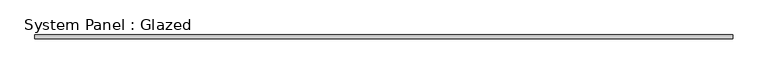
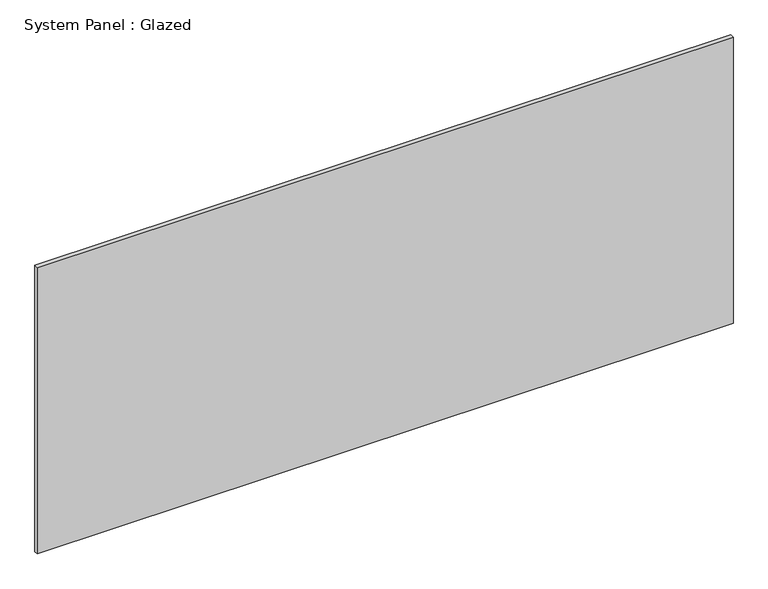
"""IFC4 building model written with IfcOpenShell, lengths in millimetres: plate geometry, System Panel : Glazed."""

from ifc_helpers import new_model, si_unit, origin, origin_with_axes, place, context, project, spatial, polyline, outline, extrude, source, transform, mapped, element, save


def system_panel_glazed_3f3aa56d(model_context):
    return source(origin(), model_context, "Body", "SweptSolid", [
        extrude(outline(polyline([(2300.0, 24.5), (-2300.0, 24.5), (-2300.0, 49.5), (2300.0, 49.5), (2300.0, 24.5)])), origin_with_axes(), (0.0, 0.0, 1.0), 2000.0),
    ])


if __name__ == "__main__":
    model = new_model("IFC4")
    model_context = context("Model", 3, world=origin())
    ifc_project = project(units=[si_unit("LENGTHUNIT", "METRE", prefix="MILLI")], contexts=[model_context])
    site = spatial("IfcSite", under=ifc_project)
    building = spatial("IfcBuilding", under=site)
    placement = place(None, origin())
    system_panel_glazed_shape = system_panel_glazed_3f3aa56d(model_context)
    element("IfcPlate", 1, ObjectType="System Panel : Glazed", at=placement, inside=building, context=model_context, shape_type="MappedRepresentation", body=[
        mapped(system_panel_glazed_shape, transform((0.0, 0.0, 0.0), x_axis=(1.0, 0.0, 0.0), y_axis=(0.0, 1.0, 0.0), z_axis=(0.0, 0.0, 1.0))),
    ])
    save(model, "model.ifc")
